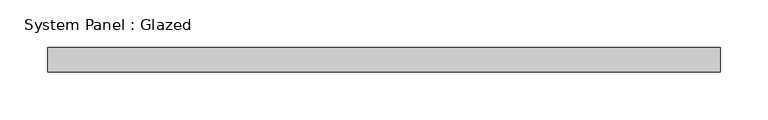
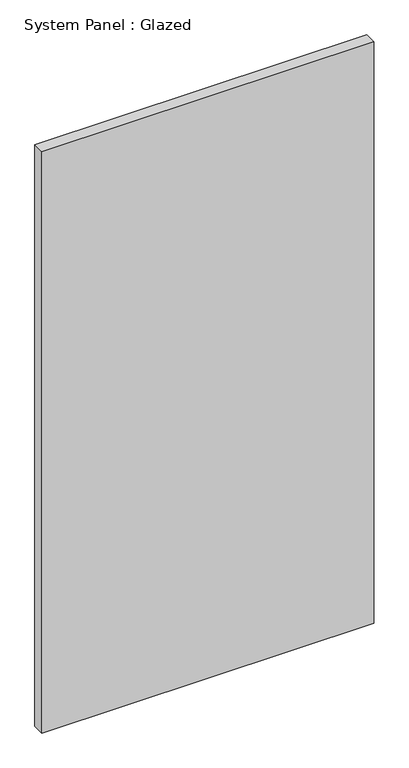
"""IFC4 building model written with IfcOpenShell, lengths in millimetres: plate geometry, System Panel : Glazed."""

from ifc_helpers import new_model, si_unit, origin, origin_with_axes, place, context, project, spatial, polyline, outline, extrude, source, transform, mapped, element, save


def system_panel_glazed_4cc896e8(model_context):
    return source(origin(), model_context, "Body", "SweptSolid", [
        extrude(outline(polyline([(351.6312735, -12.7), (-351.6312735, -12.7), (-351.6312735, 12.7), (351.6312735, 12.7), (351.6312735, -12.7)])), origin_with_axes(), (0.0, 0.0, 1.0), 1301.75),
    ])


if __name__ == "__main__":
    model = new_model("IFC4")
    model_context = context("Model", 3, world=origin())
    ifc_project = project(units=[si_unit("LENGTHUNIT", "METRE", prefix="MILLI")], contexts=[model_context])
    site = spatial("IfcSite", under=ifc_project)
    building = spatial("IfcBuilding", under=site)
    placement = place(None, origin())
    system_panel_glazed_shape = system_panel_glazed_4cc896e8(model_context)
    element("IfcPlate", 1, ObjectType="System Panel : Glazed", at=placement, inside=building, context=model_context, shape_type="MappedRepresentation", body=[
        mapped(system_panel_glazed_shape, transform((0.0, 0.0, 0.0), x_axis=(1.0, 0.0, 0.0), y_axis=(0.0, 1.0, 0.0), z_axis=(0.0, 0.0, 1.0))),
    ])
    save(model, "model.ifc")
